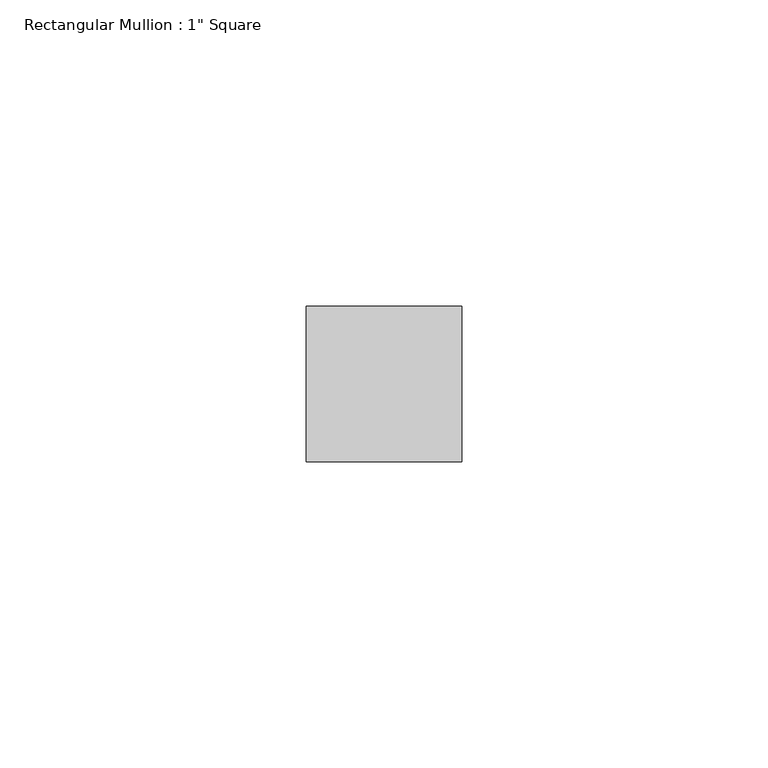
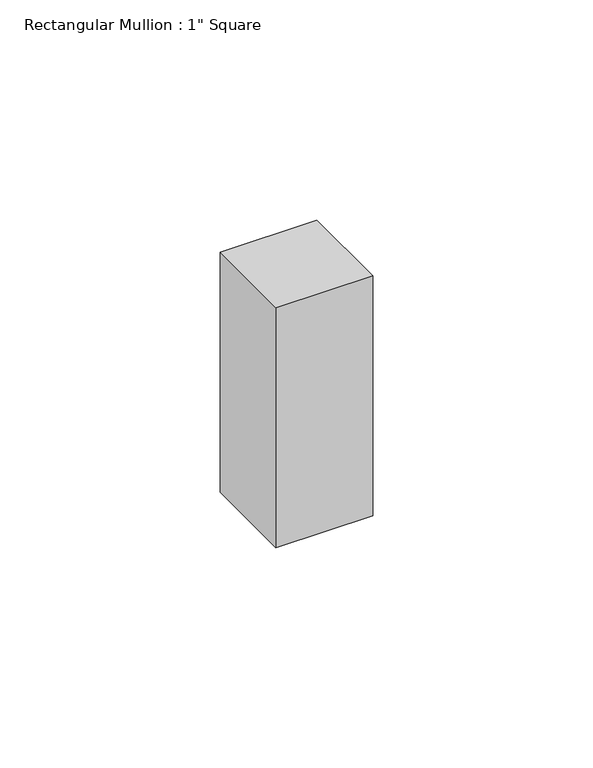
"""IFC4 building model written with IfcOpenShell, lengths in millimetres: member geometry."""

import ifcopenshell
import ifcopenshell.guid

model = None  # the IFC model being written
_history = None  # IfcOwnerHistory: only IFC2X3 demands one
_inside = {}  # id of a spatial element -> (the spatial element, [elements in it])
_under = {}  # id of a project, library or spatial element -> (it, [spatial elements below it])
_declared = {}  # id of a project -> (the project, [libraries it declares])
_typed = {}  # id of a type object -> (the type object, [elements of that type])
_made_of = {}  # id of a material, layer set ... -> (it, [elements and type objects made of it])


def new_model(schema):
    """Start an empty IFC model of exactly this schema.

    Asked for "IFC4X3", IfcOpenShell would pick the latest addendum, in which some entities
    have other attributes; the version numbers below select the first issue.
    IFC2X3 requires an IfcOwnerHistory on every rooted entity: one is made here for all.
    """
    global model, _history
    if schema == "IFC4X3":
        model = ifcopenshell.file(schema_version=(4, 3, 0, 0))
    else:
        model = ifcopenshell.file(schema=schema)
    _inside.clear()
    _under.clear()
    _declared.clear()
    _typed.clear()
    _made_of.clear()
    _history = None
    if model.schema == "IFC2X3":
        org = make("IfcOrganization", Name="unknown")
        user = make(
            "IfcPersonAndOrganization",
            ThePerson=make("IfcPerson", FamilyName="unknown"),
            TheOrganization=org,
        )
        app = make(
            "IfcApplication",
            ApplicationDeveloper=org,
            Version="unknown",
            ApplicationFullName="unknown",
            ApplicationIdentifier="unknown",
        )
        _history = make(
            "IfcOwnerHistory",
            OwningUser=user,
            OwningApplication=app,
            ChangeAction="ADDED",
            CreationDate=0,
        )
    return model


def make(cls, **values):
    """One entity of the class cls with the attributes given. An attribute that is None is left unset."""
    return model.create_entity(
        cls, **{name: value for name, value in values.items() if value is not None}
    )


def rooted(cls, **values):
    """An entity with a GlobalId (a new one), such as an element, a storey or a relation."""
    return make(cls, GlobalId=ifcopenshell.guid.new(), OwnerHistory=_history, **values)


def si_unit(unit_type, name, prefix=None):
    """IfcSIUnit, for example si_unit("LENGTHUNIT", "METRE", prefix="MILLI")."""
    return make("IfcSIUnit", UnitType=unit_type, Prefix=prefix, Name=name)


def assignment(units):
    """IfcUnitAssignment: the units of a project."""
    return None if units is None else make("IfcUnitAssignment", Units=units)


def point(xyz):
    """IfcCartesianPoint."""
    return None if xyz is None else make("IfcCartesianPoint", Coordinates=xyz)


def direction(xyz):
    """IfcDirection."""
    return None if xyz is None else make("IfcDirection", DirectionRatios=xyz)


def frame(location, z_axis=None, x_axis=None):
    """IfcAxis2Placement3D, a coordinate frame: its origin and axes. An axis left out is left unset."""
    return make(
        "IfcAxis2Placement3D",
        Location=point(location),
        Axis=direction(z_axis),
        RefDirection=direction(x_axis),
    )


def origin():
    """The frame at (0, 0, 0) with its axes left unset."""
    return frame((0.0, 0.0, 0.0))


def place(relative_to, where):
    """IfcLocalPlacement: puts the frame where relative to a parent placement (None: the world)."""
    return make(
        "IfcLocalPlacement", PlacementRelTo=relative_to, RelativePlacement=where
    )


def context(
    kind, dimensions, precision=None, world=None, true_north=None, identifier=None
):
    """IfcGeometricRepresentationContext, for example the 3D "Model" context."""
    return make(
        "IfcGeometricRepresentationContext",
        ContextIdentifier=identifier,
        ContextType=kind,
        CoordinateSpaceDimension=dimensions,
        Precision=precision,
        WorldCoordinateSystem=world,
        TrueNorth=true_north,
    )


def project(units=None, contexts=None):
    """IfcProject with its units and contexts."""
    return rooted(
        "IfcProject",
        Name="project",
        RepresentationContexts=contexts,
        UnitsInContext=assignment(units),
    )


def spatial(cls, under=None, at=None, **own):
    """A site, building, storey or space (cls), placed at a placement, below another one or the project."""
    s = rooted(cls, ObjectPlacement=at, **own)
    if under is not None:
        _under.setdefault(under.id(), (under, []))[1].append(s)
    return s


def polyline(points):
    """IfcPolyline through the points."""
    return make("IfcPolyline", Points=[point(p) for p in points])


def outline(outer, holes=None, kind="AREA"):
    """IfcArbitraryClosedProfileDef: a profile drawn as a closed curve; with holes, ...WithVoids."""
    if holes is None:
        return make("IfcArbitraryClosedProfileDef", ProfileType=kind, OuterCurve=outer)
    return make(
        "IfcArbitraryProfileDefWithVoids",
        ProfileType=kind,
        OuterCurve=outer,
        InnerCurves=holes,
    )


def extrude(swept, where, along, depth):
    """IfcExtrudedAreaSolid: the profile swept, set in the frame where, extruded along a direction by depth."""
    return make(
        "IfcExtrudedAreaSolid",
        SweptArea=swept,
        Position=where,
        ExtrudedDirection=direction(along),
        Depth=depth,
    )


def shape(context_of_items, identifier, shape_type, items):
    """IfcShapeRepresentation: the items that make up one representation, for example the "Body"."""
    return make(
        "IfcShapeRepresentation",
        ContextOfItems=context_of_items,
        RepresentationIdentifier=identifier,
        RepresentationType=shape_type,
        Items=items,
    )


def source(mapping_origin, context_of_items, identifier, shape_type, items):
    """IfcRepresentationMap: a shape defined once, which mapped items show again and again."""
    return make(
        "IfcRepresentationMap",
        MappingOrigin=mapping_origin,
        MappedRepresentation=shape(context_of_items, identifier, shape_type, items),
    )


def transform(
    local_origin,
    x_axis=None,
    y_axis=None,
    z_axis=None,
    scale=None,
    scale2=None,
    scale3=None,
    uniform=True,
):
    """IfcCartesianTransformationOperator3D, or its non-uniform kind. x_axis, y_axis, z_axis: its Axis1, 2, 3."""
    if uniform:
        return make(
            "IfcCartesianTransformationOperator3D",
            Axis1=direction(x_axis),
            Axis2=direction(y_axis),
            LocalOrigin=point(local_origin),
            Scale=scale,
            Axis3=direction(z_axis),
        )
    return make(
        "IfcCartesianTransformationOperator3DnonUniform",
        Axis1=direction(x_axis),
        Axis2=direction(y_axis),
        LocalOrigin=point(local_origin),
        Scale=scale,
        Axis3=direction(z_axis),
        Scale2=scale2,
        Scale3=scale3,
    )


def mapped(mapping_source, mapping_target):
    """IfcMappedItem: shows the shape of a source again, moved by a transform."""
    return make(
        "IfcMappedItem", MappingSource=mapping_source, MappingTarget=mapping_target
    )


def made_of(thing, what):
    """Note that an element or type object is made of a material, layer set ...; save() writes the relation."""
    if what is not None:
        _made_of.setdefault(what.id(), (what, []))[1].append(thing)
    return thing


def element(
    cls,
    number,
    at=None,
    inside=None,
    cuts=None,
    type_object=None,
    material=None,
    context=None,
    identifier="Body",
    shape_type=None,
    held_by="IfcProductDefinitionShape",
    body=None,
    shapes=None,
    **own,
):
    """One element of the class cls, such as IfcWall. Its Tag is "e" and its number.

    at: its placement. inside: the storey or other place that contains it. cuts: it is an
    opening in that element (IfcRelVoidsElement). A single representation is given by context,
    identifier, shape_type and body (its items); several are given by shapes. held_by: the class
    of the entity that holds the representations. save() writes the other relations.
    """
    e = rooted(cls, Tag="e%d" % number, ObjectPlacement=at, **own)
    if body is not None:
        shapes = [shape(context, identifier, shape_type, body)]
    if shapes is not None:
        e.Representation = make(held_by, Representations=shapes)
    if inside is not None:
        _inside.setdefault(inside.id(), (inside, []))[1].append(e)
    if cuts is not None:
        rooted(
            "IfcRelVoidsElement", RelatingBuildingElement=cuts, RelatedOpeningElement=e
        )
    if type_object is not None:
        _typed.setdefault(type_object.id(), (type_object, []))[1].append(e)
    return made_of(e, material)


def aggregate(whole, parts):
    """IfcRelAggregates: a whole, such as a stair, and the parts it consists of."""
    return rooted("IfcRelAggregates", RelatingObject=whole, RelatedObjects=parts)


def save(model, path):
    """Write the relations noted so far, then the file.

    IfcRelAggregates (storeys below a building ...), IfcRelContainedInSpatialStructure (elements
    in a storey), IfcRelDefinesByType, IfcRelAssociatesMaterial and IfcRelDeclares: one each for
    every whole, place, type object, material and project.
    """
    for whole, parts in _under.values():
        aggregate(whole, parts)
    for where, things in _inside.values():
        rooted(
            "IfcRelContainedInSpatialStructure",
            RelatedElements=things,
            RelatingStructure=where,
        )
    for kind, things in _typed.values():
        rooted("IfcRelDefinesByType", RelatedObjects=things, RelatingType=kind)
    for what, things in _made_of.values():
        rooted("IfcRelAssociatesMaterial", RelatedObjects=things, RelatingMaterial=what)
    for by, libraries in _declared.values():
        rooted("IfcRelDeclares", RelatingContext=by, RelatedDefinitions=libraries)
    model.write(path)


def member_fef4f851(model_context):
    return source(origin(), model_context, "Body", "SweptSolid", [
        extrude(outline(polyline([(12.7, 12.7), (12.7, -12.7), (-12.7, -12.7), (-12.7, 12.7), (12.7, 12.7)])), frame((0.0, 0.0, -66.675), z_axis=(0.0, 0.0, 1.0), x_axis=(1.0, 0.0, 0.0)), (0.0, 0.0, 1.0), 66.675),
    ])


if __name__ == "__main__":
    model = new_model("IFC4")
    model_context = context("Model", 3, world=origin())
    ifc_project = project(units=[si_unit("LENGTHUNIT", "METRE", prefix="MILLI")], contexts=[model_context])
    site = spatial("IfcSite", under=ifc_project)
    building = spatial("IfcBuilding", under=site)
    placement = place(None, origin())
    member_shape = member_fef4f851(model_context)
    element("IfcMember", 1, ObjectType="Rectangular Mullion : 1\" Square", at=placement, inside=building, context=model_context, shape_type="MappedRepresentation", body=[
        mapped(member_shape, transform((0.0, 0.0, 0.0), x_axis=(1.0, 0.0, 0.0), y_axis=(0.0, 1.0, 0.0), z_axis=(0.0, 0.0, 1.0))),
    ])
    save(model, "model.ifc")
